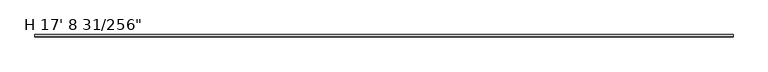
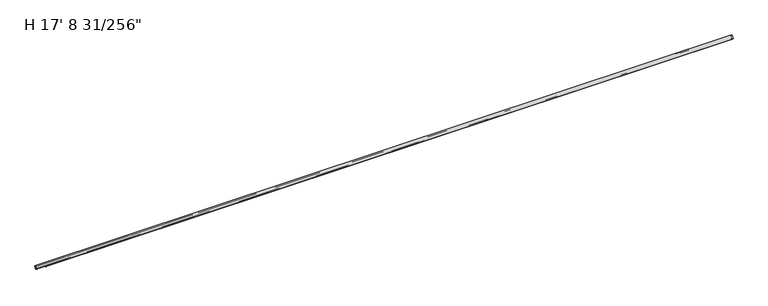
"""IFC4 building model written with IfcOpenShell, lengths in millimetres: proxy geometry."""

from ifc_helpers import new_model, si_unit, frame, origin, place, context, project, spatial, polyline, circle_curve, source, transform, mapped, element, save
from ifc_brep_helpers import plane_surface, cylinder_surface, revolved_surface, advanced_brep


def proxy_8f65eb57(model_context):
    return source(origin(), model_context, "Body", "AdvancedBrep", [
        advanced_brep(
        [(5387.8757813, -6.1091347, 0.0), (5387.8757813, -5.5808077, 0.6581076), (5387.8757813, -5.9684988, 1.3575208), (5387.8757813, -5.6321023, 2.0789255), (5387.8757813, -5.9631778, 2.7889192), (5387.8757813, -5.6042879, 3.5585611), (5387.8757813, -5.934397, 4.2664822), (5387.8757813, -5.5944321, 4.9955392), (5387.8757813, -5.9294957, 5.7140853), (5387.8757813, -5.5991801, 6.4224493), (5387.8757813, -6.0051261, 7.0980568), (5387.8757813, -5.5986989, 7.8345551), (5387.8757813, -5.9337229, 8.5870312), (5387.8757813, -5.5657997, 9.2789941), (5387.8757813, -5.8977295, 9.99082), (5387.8757813, -5.8977295, 11.6146251), (5387.8757813, -9.839437, 13.1679138), (5387.8757813, -15.5679403, 13.1679138), (5387.8757813, -17.1246029, 15.066794), (5387.8757813, -7.4661878, 27.7784225), (5387.8757813, -5.8563298, 26.7830356), (5387.8757813, -5.8563298, 25.172294), (5387.8757813, -5.0436174, 24.3595817), (5387.8757813, -4.2974045, 24.8820856), (5387.8757813, -4.5167099, 25.7005446), (5387.8757813, -4.2880317, 26.4591036), (5387.8757813, -4.4923475, 27.2216207), (5387.8757813, -4.1978841, 28.1090541), (5387.8757813, -4.3677301, 28.8744451), (5387.8757813, -1.6524001, 28.7826392), (5387.8757813, -1.8415, 27.7102004), (5387.8757813, -1.5875, 26.7622595), (5387.8757813, -1.8599178, 25.8586097), (5387.8757813, -1.5946294, 24.3595817), (5387.8757813, -0.79502, 24.2755393), (5387.8757813, 0.0, 25.0705593), (5387.8757813, -0.254, 26.5058012), (5387.8757813, 0.0, 27.3483563), (5387.8757813, -0.254, 28.2962972), (5387.8757813, 0.0, 29.1388523), (5387.8757813, 0.0, 31.2551692), (5387.8757813, -19.05, 11.5804138), (5387.8757813, -15.6652194, 11.5804138), (5387.8757813, -12.4902194, 11.5804138), (5387.8757813, -11.1161473, 11.5804138), (5387.8757813, -9.525, 9.9931404), (5387.8757813, -7.9721145, 9.9931404), (5387.8757813, -8.1699585, 9.0623577), (5387.8757813, -7.9490433, 8.2919351), (5387.8757813, -8.1398857, 7.5265082), (5387.8757813, -7.972318, 6.7214745), (5387.8757813, -8.1655958, 5.9462793), (5387.8757813, -7.9834986, 5.0714427), (5387.8757813, -8.1776372, 4.2927955), (5387.8757813, -7.9880038, 3.3817532), (5387.8757813, -8.1786509, 2.4848291), (5387.8757813, -7.9862027, 1.6851507), (5387.8757813, -8.1553262, 0.8894873), (5387.8757813, -7.8893268, 0.0060645), (0.0, -5.8977295, 9.9931404), (0.0, -9.525, 9.9931404), (0.0, -11.1161473, 11.5804138), (0.0, -12.4902194, 11.5804138), (0.0, -15.6652194, 11.5804138), (0.0, -19.05, 11.5804138), (0.0, 0.0, 31.2551692), (0.0, 0.0, 29.1388523), (0.0, -0.254, 28.2962972), (0.0, 0.0, 27.3483563), (0.0, -0.254, 26.5058012), (0.0, 0.0, 25.0705593), (0.0, -0.79502, 24.2755393), (0.0, -1.5946294, 24.3595817), (0.0, -1.8599178, 25.8586097), (0.0, -1.5875, 26.7622595), (0.0, -1.8415, 27.7102004), (0.0, -1.6524001, 28.7826392), (0.0, -4.3677301, 28.8744451), (0.0, -4.1978841, 28.1090541), (0.0, -4.4923475, 27.2216207), (0.0, -4.2880317, 26.4591036), (0.0, -4.5167099, 25.7005446), (0.0, -4.2974045, 24.8820856), (0.0, -5.0436174, 24.3595817), (0.0, -5.8563298, 25.172294), (0.0, -5.8563298, 26.7830356), (0.0, -7.4661878, 27.7784225), (0.0, -17.1246029, 15.066794), (0.0, -15.5679403, 13.1679138), (0.0, -9.839437, 13.1679138), (0.0, -5.8977295, 11.6146251), (76.1871679, -5.934397, 4.2664822), (76.1871679, -5.5944321, 4.9955392), (76.1871679, -5.9294957, 5.7140853), (76.1871679, -5.5991801, 6.4224493), (76.1871679, -6.0051261, 7.0980568), (76.1871679, -5.9337229, 8.5870312), (76.1871679, -5.5657997, 9.2789941), (76.1871679, -5.8977295, 9.99082), (76.1871679, -7.9721145, 9.9931404), (76.1871679, -8.1699585, 9.0623577), (76.1871679, -7.8893268, 0.0060645), (76.1871679, -6.1091347, 0.0), (76.1871679, -5.5808077, 0.6581076), (76.1871679, -5.9684988, 1.3575208), (76.1871679, -5.6321023, 2.0789255), (76.1871679, -5.9631778, 2.7889192), (76.1871679, -5.6042879, 3.5585611), (76.1871679, -5.5986989, 7.8345551), (76.1871679, -7.9490433, 8.2919351), (76.1871679, -8.1398857, 7.5265082), (76.1871679, -7.972318, 6.7214745), (76.1871679, -8.1655958, 5.9462793), (76.1871679, -7.9834986, 5.0714427), (76.1871679, -8.1776372, 4.2927955), (76.1871679, -7.9880038, 3.3817532), (76.1871679, -8.1786509, 2.4848291), (76.1871679, -7.9862027, 1.6851507), (76.1871679, -8.1553262, 0.8894873)],
        [
            (0, 1),
            (1, 2),
            (2, 3),
            (3, 4),
            (4, 5),
            (5, 6),
            (6, 7),
            (7, 8),
            (8, 9),
            (9, 10),
            (10, 11),
            (11, 12),
            (12, 13),
            (13, 14),
            (14, 15),
            (15, 16),
            (16, 17),
            (17, 18, circle_curve(frame((5387.8757813, -15.5679403, 14.7554138), z_axis=(-1.0, 0.0, 0.0), x_axis=(0.0, 1.0, 0.0)), 1.5875)),
            (18, 19, circle_curve(frame((5387.8757813, 0.6044452, 11.6211879), z_axis=(-1.0, 0.0, 0.0), x_axis=(0.0, 1.0, 0.0)), 18.0607682)),
            (19, 20, circle_curve(frame((5387.8757813, -6.9689863, 26.7830356), z_axis=(-1.0, 0.0, 0.0), x_axis=(0.0, 1.0, 0.0)), 1.1126565)),
            (20, 21),
            (21, 22, circle_curve(frame((5387.8757813, -5.0436174, 25.172294), z_axis=(1.0, 0.0, 0.0), x_axis=(0.0, 1.0, 0.0)), 0.8127124)),
            (22, 23),
            (23, 24),
            (24, 25),
            (25, 26),
            (26, 27),
            (27, 28),
            (28, 29, circle_curve(frame((5387.8757813, -3.1115, 25.8284159), z_axis=(-1.0, 0.0, 0.0), x_axis=(0.0, 1.0, 0.0)), 3.2949063)),
            (29, 30),
            (30, 31),
            (31, 32),
            (32, 33),
            (33, 34),
            (34, 35, circle_curve(frame((5387.8757813, -0.79502, 25.0705593), z_axis=(1.0, 0.0, 0.0), x_axis=(0.0, 1.0, 0.0)), 0.79502)),
            (35, 36),
            (36, 37),
            (37, 38),
            (38, 39),
            (39, 40),
            (40, 41, circle_curve(frame((5387.8757813, 0.635, 11.5804138), z_axis=(1.0, 0.0, 0.0), x_axis=(0.0, 1.0, 0.0)), 19.685)),
            (41, 42),
            (42, 43, circle_curve(frame((5387.8757813, -14.0777194, 11.5804138), z_axis=(1.0, 0.0, 0.0), x_axis=(0.0, 1.0, 0.0)), 1.5875)),
            (43, 44),
            (44, 45, circle_curve(frame((5387.8757813, -11.1161473, 9.9892618), z_axis=(-1.0, 0.0, 0.0), x_axis=(0.0, 1.0, 0.0)), 1.591152)),
            (45, 46),
            (46, 47),
            (47, 48),
            (48, 49),
            (49, 50),
            (50, 51),
            (51, 52),
            (52, 53),
            (53, 54),
            (54, 55),
            (55, 56),
            (56, 57),
            (57, 58),
            (58, 0, circle_curve(frame((5387.8757813, -7.0030343, -1.113481), z_axis=(-1.0, 0.0, 0.0), x_axis=(0.0, 1.0, 0.0)), 1.4278993)),
            (59, 60),
            (60, 61, circle_curve(frame((0.0, -11.1161473, 9.9892618), z_axis=(1.0, 0.0, 0.0), x_axis=(0.0, 1.0, 0.0)), 1.591152)),
            (61, 62),
            (62, 63, circle_curve(frame((0.0, -14.0777194, 11.5804138), z_axis=(-1.0, 0.0, 0.0), x_axis=(0.0, 1.0, 0.0)), 1.5875)),
            (63, 64),
            (64, 65, circle_curve(frame((0.0, 0.635, 11.5804138), z_axis=(-1.0, 0.0, 0.0), x_axis=(0.0, 1.0, 0.0)), 19.685)),
            (65, 66),
            (66, 67),
            (67, 68),
            (68, 69),
            (69, 70),
            (70, 71, circle_curve(frame((0.0, -0.79502, 25.0705593), z_axis=(-1.0, 0.0, 0.0), x_axis=(0.0, 1.0, 0.0)), 0.79502)),
            (71, 72),
            (72, 73),
            (73, 74),
            (74, 75),
            (75, 76),
            (76, 77, circle_curve(frame((0.0, -3.1115, 25.8284159), z_axis=(1.0, 0.0, 0.0), x_axis=(0.0, 1.0, 0.0)), 3.2949063)),
            (77, 78),
            (78, 79),
            (79, 80),
            (80, 81),
            (81, 82),
            (82, 83),
            (83, 84, circle_curve(frame((0.0, -5.0436174, 25.172294), z_axis=(-1.0, 0.0, 0.0), x_axis=(0.0, 1.0, 0.0)), 0.8127124)),
            (84, 85),
            (85, 86, circle_curve(frame((0.0, -6.9689863, 26.7830356), z_axis=(1.0, 0.0, 0.0), x_axis=(0.0, 1.0, 0.0)), 1.1126565)),
            (86, 87, circle_curve(frame((0.0, 0.6044452, 11.6211879), z_axis=(1.0, 0.0, 0.0), x_axis=(0.0, 1.0, 0.0)), 18.0607682)),
            (87, 88, circle_curve(frame((0.0, -15.5679403, 14.7554138), z_axis=(1.0, 0.0, 0.0), x_axis=(0.0, 1.0, 0.0)), 1.5875)),
            (88, 89),
            (89, 90),
            (90, 59),
            (6, 91),
            (91, 92),
            (92, 7),
            (92, 93),
            (93, 8),
            (93, 94),
            (94, 9),
            (94, 95),
            (95, 10),
            (12, 96),
            (96, 97),
            (97, 13),
            (97, 98),
            (98, 14),
            (98, 59),
            (90, 15),
            (89, 16),
            (88, 17),
            (87, 18),
            (86, 19),
            (20, 85),
            (84, 21),
            (23, 82),
            (81, 24),
            (80, 25),
            (79, 26),
            (78, 27),
            (77, 28),
            (76, 29),
            (75, 30),
            (74, 31),
            (73, 32),
            (72, 33),
            (71, 34),
            (70, 35),
            (69, 36),
            (68, 37),
            (67, 38),
            (66, 39),
            (40, 65),
            (64, 41),
            (63, 42),
            (62, 43),
            (61, 44),
            (60, 45),
            (98, 99),
            (99, 46),
            (99, 100),
            (100, 47),
            (58, 101),
            (101, 102, circle_curve(frame((76.1871679, -7.0030343, -1.113481), z_axis=(-1.0, 0.0, 0.0), x_axis=(0.0, 1.0, 0.0)), 1.4278993)),
            (102, 0),
            (102, 103),
            (103, 1),
            (103, 104),
            (104, 2),
            (104, 105),
            (105, 3),
            (105, 106),
            (106, 4),
            (106, 107),
            (107, 5),
            (107, 91),
            (95, 108),
            (108, 11),
            (108, 96),
            (83, 22),
            (100, 109),
            (109, 48),
            (109, 110),
            (110, 49),
            (110, 111),
            (111, 50),
            (111, 112),
            (112, 51),
            (112, 113),
            (113, 52),
            (113, 114),
            (114, 53),
            (114, 115),
            (115, 54),
            (115, 116),
            (116, 55),
            (116, 117),
            (117, 56),
            (117, 118),
            (118, 57),
            (118, 101),
        ],
        [
            plane_surface(frame((5387.8757813, -5.5808077, 0.6581076), z_axis=(1.0000000000000002, 0.0, 0.0), x_axis=(0.0, 0.6260242498799778, 0.7798035897341146))),
            plane_surface(frame((0.0, -5.5808077, 0.6581076), z_axis=(-1.0000000000000002, 0.0, 0.0), x_axis=(0.0, -0.6260242498799778, -0.7798035897341146))),
            plane_surface(frame((5387.8757813, -5.934397, 4.2664822), z_axis=(0.0, 0.9063077870366465, -0.42261826174070694), x_axis=(-1.0, 0.0, 0.0))),
            plane_surface(frame((5387.8757813, -5.5944321, 4.9955392), z_axis=(0.0, 0.9063077870366515, 0.4226182617406963), x_axis=(-1.0, 0.0, 0.0))),
            plane_surface(frame((5387.8757813, -5.9294957, 5.7140853), z_axis=(0.0, 0.9063077870366508, -0.4226182617406977), x_axis=(-1.0, 0.0, 0.0))),
            plane_surface(frame((5387.8757813, -5.5991801, 6.4224493), z_axis=(0.0, 0.8571673007021131, 0.5150380749100528), x_axis=(-1.0, 0.0, 0.0))),
            plane_surface(frame((5387.8757813, -5.9337229, 8.5870312), z_axis=(0.0, 0.8829475928589267, -0.46947156278589147), x_axis=(-1.0, 0.0, 0.0))),
            plane_surface(frame((5387.8757813, -5.5657997, 9.2789941), z_axis=(0.0, 0.9063077870366529, 0.4226182617406933), x_axis=(-1.0, 0.0, 0.0))),
            plane_surface(frame((5387.8757813, -5.8977295, 9.99082), z_axis=(0.0, 1.0, 0.0), x_axis=(-1.0, 0.0, 0.0))),
            plane_surface(frame((5387.8757813, -5.8977295, 11.6146251), z_axis=(0.0, 0.36662562361540696, 0.9303685571366941), x_axis=(-1.0, 0.0, 0.0))),
            plane_surface(frame((5387.8757813, -9.839437, 13.1679138), z_axis=(0.0, 0.0, 1.0), x_axis=(-1.0, 0.0, 0.0))),
            revolved_surface(polyline([(0.0, -13.9804403, 14.7554138), (5387.8757813, -13.9804403, 14.7554138)]), (0.0, -15.5679403, 14.7554138), (-1.0, 0.0, 0.0)),
            revolved_surface(polyline([(0.0, 18.6652134, 11.6211879), (5387.8757813, 18.6652134, 11.6211879)]), (0.0, 0.6044452, 11.6211879), (-1.0, 0.0, 0.0)),
            plane_surface(frame((5387.8757813, -5.8563298, 26.7830356), z_axis=(0.0, -1.0, 0.0), x_axis=(-1.0, 0.0, 0.0))),
            plane_surface(frame((5387.8757813, -4.2974045, 24.8820856), z_axis=(0.0, 0.9659258262890702, 0.2588190451025134), x_axis=(-1.0, 0.0, 0.0))),
            plane_surface(frame((5387.8757813, -4.5167099, 25.7005446), z_axis=(0.0, 0.9574396445559225, -0.2886335514673039), x_axis=(-1.0, 0.0, 0.0))),
            plane_surface(frame((5387.8757813, -4.2880317, 26.4591036), z_axis=(0.0, 0.9659258262890718, 0.2588190451025078), x_axis=(-1.0, 0.0, 0.0))),
            plane_surface(frame((5387.8757813, -4.4923475, 27.2216207), z_axis=(0.0, 0.9491148332111741, -0.3149302039794297), x_axis=(-1.0, 0.0, 0.0))),
            plane_surface(frame((5387.8757813, -4.1978841, 28.1090541), z_axis=(0.0, 0.9762520959875624, 0.21663758925886215), x_axis=(-1.0, 0.0, 0.0))),
            revolved_surface(polyline([(0.0, 0.18340630000000013, 25.8284159), (5387.8757813, 0.18340630000000013, 25.8284159)]), (0.0, -3.1115, 25.8284159), (-1.0, 0.0, 0.0)),
            plane_surface(frame((5387.8757813, -1.6524001, 28.7826392), z_axis=(0.0, -0.984807753012206, 0.17364817766694204), x_axis=(-1.0, 0.0, 0.0))),
            plane_surface(frame((5387.8757813, -1.8415, 27.7102004), z_axis=(0.0, -0.9659258262890714, -0.25881904510250936), x_axis=(-1.0, 0.0, 0.0))),
            plane_surface(frame((5387.8757813, -1.5875, 26.7622595), z_axis=(0.0, -0.9574396445559225, 0.2886335514673043), x_axis=(-1.0, 0.0, 0.0))),
            plane_surface(frame((5387.8757813, -1.8599178, 25.8586097), z_axis=(0.0, -0.9846986628832953, -0.1742657261651023), x_axis=(-1.0, 0.0, 0.0))),
            plane_surface(frame((5387.8757813, -1.5946294, 24.3595817), z_axis=(0.0, -0.10452846326766971, -0.9945218953682717), x_axis=(-1.0, 0.0, 0.0))),
            cylinder_surface(frame((0.0, -0.79502, 25.0705593), z_axis=(1.0, 0.0, 0.0), x_axis=(0.0, 1.0, 0.0)), 0.79502),
            plane_surface(frame((5387.8757813, 0.0, 25.0705593), z_axis=(0.0, 0.9846986628832959, 0.17426572616509906), x_axis=(-1.0, 0.0, 0.0))),
            plane_surface(frame((5387.8757813, -0.254, 26.5058012), z_axis=(0.0, 0.9574396445559225, -0.2886335514673044), x_axis=(-1.0, 0.0, 0.0))),
            plane_surface(frame((5387.8757813, 0.0, 27.3483563), z_axis=(0.0, 0.9659258262890709, 0.2588190451025113), x_axis=(-1.0, 0.0, 0.0))),
            plane_surface(frame((5387.8757813, -0.254, 28.2962972), z_axis=(0.0, 0.9574396445559225, -0.28863355146730413), x_axis=(-1.0, 0.0, 0.0))),
            cylinder_surface(frame((0.0, 0.635, 11.5804138), z_axis=(1.0, 0.0, 0.0), x_axis=(0.0, 1.0, 0.0)), 19.685),
            plane_surface(frame((5387.8757813, -19.05, 11.5804138), z_axis=(0.0, 0.0, -1.0), x_axis=(-1.0, 0.0, 0.0))),
            cylinder_surface(frame((0.0, -14.0777194, 11.5804138), z_axis=(1.0, 0.0, 0.0), x_axis=(0.0, 1.0, 0.0)), 1.5875),
            plane_surface(frame((5387.8757813, -12.4902194, 11.5804138), z_axis=(0.0, 0.0, -1.0), x_axis=(-1.0, 0.0, 0.0))),
            revolved_surface(polyline([(0.0, -9.5249953, 9.9892618), (5387.8757813, -9.5249953, 9.9892618)]), (0.0, -11.1161473, 9.9892618), (-1.0, 0.0, 0.0)),
            plane_surface(frame((5387.8757813, -9.525, 9.9931404), z_axis=(0.0, 0.0, -1.0), x_axis=(-1.0, 0.0, 0.0))),
            plane_surface(frame((5387.8757813, -7.9721145, 9.9931404), z_axis=(0.0, -0.9781476007338079, 0.20791169081774855), x_axis=(-1.0, 0.0, 0.0))),
            revolved_surface(polyline([(76.1871679, -5.575135, -1.113481), (5387.8757813, -5.575135, -1.113481)]), (0.0, -7.0030343, -1.113481), (-1.0, 0.0, 0.0)),
            plane_surface(frame((5387.8757813, -6.1091347, 0.0), z_axis=(0.0, 0.7798035897341146, -0.6260242498799778), x_axis=(-1.0, 0.0, 0.0))),
            plane_surface(frame((5387.8757813, -5.5808077, 0.6581076), z_axis=(0.0, 0.8746197071393965, 0.48480962024633595), x_axis=(-1.0, 0.0, 0.0))),
            plane_surface(frame((5387.8757813, -5.9684988, 1.3575208), z_axis=(0.0, 0.9063077870366533, -0.42261826174069256), x_axis=(-1.0, 0.0, 0.0))),
            plane_surface(frame((5387.8757813, -5.6321023, 2.0789255), z_axis=(0.0, 0.906307787036651, 0.42261826174069705), x_axis=(-1.0, 0.0, 0.0))),
            plane_surface(frame((5387.8757813, -5.9631778, 2.7889192), z_axis=(0.0, 0.9063077870366465, -0.42261826174070694), x_axis=(-1.0, 0.0, 0.0))),
            plane_surface(frame((5387.8757813, -5.6042879, 3.5585611), z_axis=(0.0, 0.9063077870366536, 0.42261826174069156), x_axis=(-1.0, 0.0, 0.0))),
            plane_surface(frame((5387.8757813, -6.0051261, 7.0980568), z_axis=(0.0, 0.8755358100350447, -0.4831532317456631), x_axis=(-1.0, 0.0, 0.0))),
            plane_surface(frame((5387.8757813, -5.5986989, 7.8345551), z_axis=(0.0, 0.9135454576426015, 0.40673664307579893), x_axis=(-1.0, 0.0, 0.0))),
            revolved_surface(polyline([(0.0, -5.8563298, 26.7830356), (5387.8757813, -5.8563298, 26.7830356)]), (0.0, -6.9689863, 26.7830356), (-1.0, 0.0, 0.0)),
            cylinder_surface(frame((0.0, -5.0436174, 25.172294), z_axis=(1.0, 0.0, 0.0), x_axis=(0.0, 1.0, 0.0)), 0.8127124),
            plane_surface(frame((5387.8757813, -5.0436174, 24.3595817), z_axis=(0.0, 0.573576436351044, -0.8191520442889934), x_axis=(-1.0, 0.0, 0.0))),
            plane_surface(frame((5387.8757813, 0.0, 29.1388523), z_axis=(0.0, 1.0, 0.0), x_axis=(-1.0, 0.0, 0.0))),
            plane_surface(frame((5387.8757813, -8.1699585, 9.0623577), z_axis=(0.0, -0.9612616959383202, -0.27563735581699483), x_axis=(-1.0, 0.0, 0.0))),
            plane_surface(frame((5387.8757813, -7.9490433, 8.2919351), z_axis=(0.0, -0.9702957262759958, 0.24192189559967106), x_axis=(-1.0, 0.0, 0.0))),
            plane_surface(frame((5387.8757813, -8.1398857, 7.5265082), z_axis=(0.0, -0.9790162504721784, -0.2037821908592526), x_axis=(-1.0, 0.0, 0.0))),
            plane_surface(frame((5387.8757813, -7.972318, 6.7214745), z_axis=(0.0, -0.9702957262759957, 0.24192189559967095), x_axis=(-1.0, 0.0, 0.0))),
            plane_surface(frame((5387.8757813, -8.1655958, 5.9462793), z_axis=(0.0, -0.9790162504721783, -0.20378219085925287), x_axis=(-1.0, 0.0, 0.0))),
            plane_surface(frame((5387.8757813, -7.9834986, 5.0714427), z_axis=(0.0, -0.9702957262759968, 0.24192189559966676), x_axis=(-1.0, 0.0, 0.0))),
            plane_surface(frame((5387.8757813, -8.1776372, 4.2927955), z_axis=(0.0, -0.9790162504721783, -0.20378219085925325), x_axis=(-1.0, 0.0, 0.0))),
            plane_surface(frame((5387.8757813, -7.9880038, 3.3817532), z_axis=(0.0, -0.9781476007338066, 0.20791169081775507), x_axis=(-1.0, 0.0, 0.0))),
            plane_surface(frame((5387.8757813, -8.1786509, 2.4848291), z_axis=(0.0, -0.9722421717392615, -0.23397683537419764), x_axis=(-1.0, 0.0, 0.0))),
            plane_surface(frame((5387.8757813, -7.9862027, 1.6851507), z_axis=(0.0, -0.9781476007338069, 0.20791169081775343), x_axis=(-1.0, 0.0, 0.0))),
            plane_surface(frame((5387.8757813, -8.1553262, 0.8894873), z_axis=(0.0, -0.9575356612942284, -0.288314858010864), x_axis=(-1.0, 0.0, 0.0))),
            plane_surface(frame((76.1871679, -9.525, 9.9931404), z_axis=(-1.0, 0.0, 0.0), x_axis=(0.0, -1.0, 0.0))),
        ],
        [
            (0, [[1, 2, 3, 4, 5, 6, 7, 8, 9, 10, 11, 12, 13, 14, 15, 16, 17, 18, 19, 20, 21, 22, 23, 24, 25, 26, 27, 28, 29, 30, 31, 32, 33, 34, 35, 36, 37, 38, 39, 40, 41, 42, 43, 44, 45, 46, 47, 48, 49, 50, 51, 52, 53, 54, 55, 56, 57, 58, 59]]),
            (1, [[60, 61, 62, 63, 64, 65, 66, 67, 68, 69, 70, 71, 72, 73, 74, 75, 76, 77, 78, 79, 80, 81, 82, 83, 84, 85, 86, 87, 88, 89, 90, 91]]),
            (2, [[-7, 92, 93, 94]]),
            (3, [[-8, -94, 95, 96]]),
            (4, [[-9, -96, 97, 98]]),
            (5, [[-10, -98, 99, 100]]),
            (6, [[-13, 101, 102, 103]]),
            (7, [[-14, -103, 104, 105]]),
            (8, [[-15, -105, 106, -91, 107]]),
            (9, [[-16, -107, -90, 108]]),
            (10, [[-17, -108, -89, 109]]),
            (11, [[-18, -109, -88, 110]]),
            (12, [[-19, -110, -87, 111]]),
            (13, [[-21, 112, -85, 113]]),
            (14, [[-24, 114, -82, 115]]),
            (15, [[-25, -115, -81, 116]]),
            (16, [[-26, -116, -80, 117]]),
            (17, [[-27, -117, -79, 118]]),
            (18, [[-28, -118, -78, 119]]),
            (19, [[-29, -119, -77, 120]]),
            (20, [[-30, -120, -76, 121]]),
            (21, [[-31, -121, -75, 122]]),
            (22, [[-32, -122, -74, 123]]),
            (23, [[-33, -123, -73, 124]]),
            (24, [[-34, -124, -72, 125]]),
            (25, [[-35, -125, -71, 126]]),
            (26, [[-36, -126, -70, 127]]),
            (27, [[-37, -127, -69, 128]]),
            (28, [[-38, -128, -68, 129]]),
            (29, [[-39, -129, -67, 130]]),
            (30, [[-41, 131, -65, 132]]),
            (31, [[-42, -132, -64, 133]]),
            (32, [[-43, -133, -63, 134]]),
            (33, [[-44, -134, -62, 135]]),
            (34, [[136, -45, -135, -61]]),
            (35, [[-46, -136, -60, -106, 137, 138]]),
            (36, [[-47, -138, 139, 140]]),
            (37, [[-59, 141, 142, 143]]),
            (38, [[-1, -143, 144, 145]]),
            (39, [[-2, -145, 146, 147]]),
            (40, [[-3, -147, 148, 149]]),
            (41, [[-4, -149, 150, 151]]),
            (42, [[-5, -151, 152, 153]]),
            (43, [[-6, -153, 154, -92]]),
            (44, [[-11, -100, 155, 156]]),
            (45, [[-12, -156, 157, -101]]),
            (46, [[-20, -111, -86, -112]]),
            (47, [[-22, -113, -84, 158]]),
            (48, [[-23, -158, -83, -114]]),
            (49, [[-40, -130, -66, -131]]),
            (50, [[-48, -140, 159, 160]]),
            (51, [[-49, -160, 161, 162]]),
            (52, [[-50, -162, 163, 164]]),
            (53, [[-51, -164, 165, 166]]),
            (54, [[-52, -166, 167, 168]]),
            (55, [[-53, -168, 169, 170]]),
            (56, [[-54, -170, 171, 172]]),
            (57, [[-55, -172, 173, 174]]),
            (58, [[-56, -174, 175, 176]]),
            (59, [[-57, -176, 177, 178]]),
            (60, [[-58, -178, 179, -141]]),
            (61, [[-137, -104, -102, -157, -155, -99, -97, -95, -93, -154, -152, -150, -148, -146, -144, -142, -179, -177, -175, -173, -171, -169, -167, -165, -163, -161, -159, -139]]),
        ],
    ),
    ])


if __name__ == "__main__":
    model = new_model("IFC4")
    model_context = context("Model", 3, world=origin())
    ifc_project = project(units=[si_unit("LENGTHUNIT", "METRE", prefix="MILLI")], contexts=[model_context])
    site = spatial("IfcSite", under=ifc_project)
    building = spatial("IfcBuilding", under=site)
    placement = place(None, origin())
    proxy_shape = proxy_8f65eb57(model_context)
    element("IfcBuildingElementProxy", 1, Name="H 17' 8 31/256\"", ObjectType="H 17' 8 31/256\"", at=placement, inside=building, context=model_context, shape_type="MappedRepresentation", body=[
        mapped(proxy_shape, transform((0.0, 0.0, 0.0), x_axis=(1.0, 0.0, 0.0), y_axis=(0.0, 1.0, 0.0), z_axis=(0.0, 0.0, 1.0))),
    ])
    save(model, "model.ifc")
